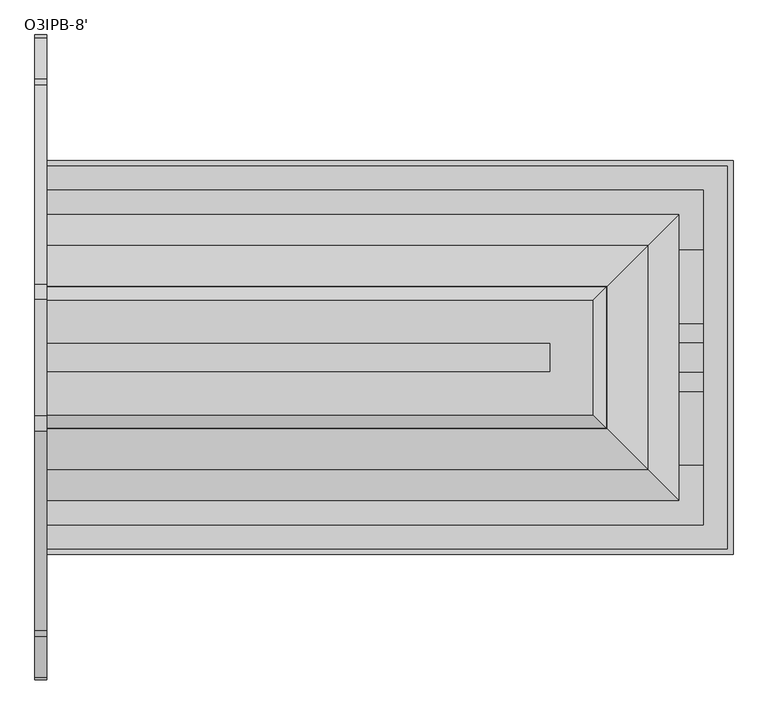
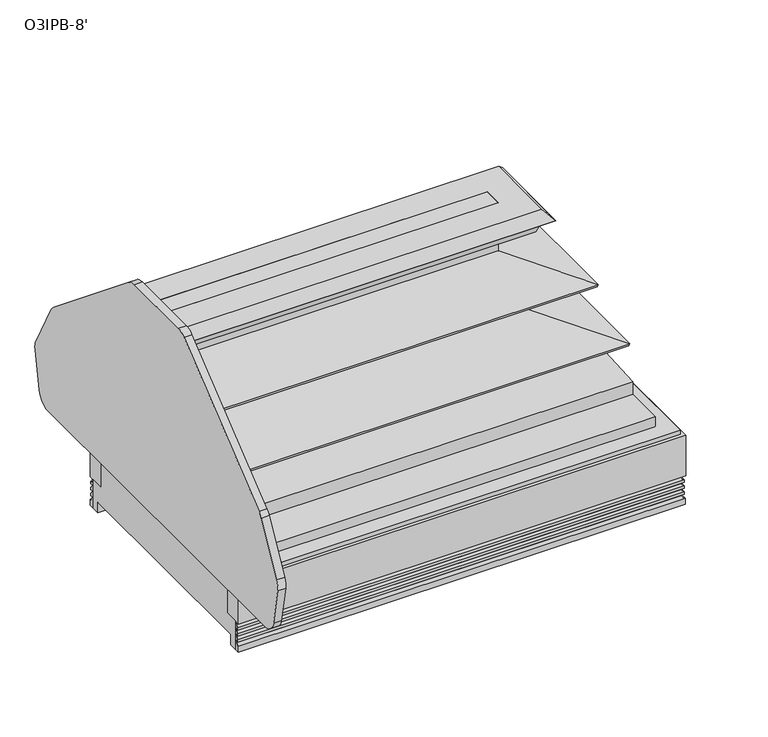
"""IFC4 building model written with IfcOpenShell, lengths in millimetres: proxy geometry, O3IPB-8'."""

from ifc_helpers import new_model, si_unit, point, frame, frame_2d, origin, place, context, project, spatial, polyline, circle_curve, ellipse_curve, trimmed, segment, composite_curve, outline, extrude, faceted_brep, source, transform, mapped, element, save
from ifc_brep_helpers import plane_surface, cylinder_surface, revolved_surface, advanced_brep


def o3ipb_8_71e268ad(model_context):
    return source(origin(), model_context, "Body", "SolidModel", [
        extrude(outline(polyline([(1766.8875, -1674.7518052), (2071.6875, -1674.7518052), (2071.6875, -1776.3518052), (1766.8875, -1776.3518052), (1766.8875, -1674.7518052)])), frame((0.0, 0.0, 72.0584982), z_axis=(0.0, 0.0, 1.0), x_axis=(1.0, 0.0, 0.0)), (0.0, 0.0, 1.0), 53.975),
        extrude(outline(composite_curve([segment(polyline([(-2347.8726435, 381.2758026), (-2382.8840439, 570.6117318)]), True, "CONTINUOUS"), segment(trimmed(circle_curve(frame_2d((-2307.9543575, 584.4674921)), 76.2), [point((-2382.8840439, 570.6117318))], [point((-2374.9247348, 620.8186758))], False, "CARTESIAN"), True, "CONTINUOUS"), segment(polyline([(-2374.9247348, 620.8186758), (-2245.3126248, 859.6051753)]), True, "CONTINUOUS"), segment(trimmed(circle_curve(frame_2d((-2178.3422475, 823.2539915)), 76.2), [point((-2245.3126248, 859.6051753))], [point((-2226.314448, 882.4579439))], False, "CARTESIAN"), True, "CONTINUOUS"), segment(polyline([(-2226.314448, 882.4579439), (-1595.6995645, 1393.4370667)]), True, "CONTINUOUS"), segment(trimmed(circle_curve(frame_2d((-1547.727364, 1334.2331143)), 76.2), [point((-1595.6995645, 1393.4370667))], [point((-1547.727364, 1410.4331143))], False, "CARTESIAN"), True, "CONTINUOUS"), segment(polyline([(-1547.727364, 1410.4331143), (-1179.1118906, 1410.4331143)]), True, "CONTINUOUS"), segment(trimmed(circle_curve(frame_2d((-1179.1118906, 1334.2331143)), 76.2), [point((-1179.1118906, 1410.4331143))], [point((-1131.13969, 1393.4370667))], False, "CARTESIAN"), True, "CONTINUOUS"), segment(polyline([(-1131.13969, 1393.4370667), (-500.5248066, 882.4579439)]), True, "CONTINUOUS"), segment(trimmed(circle_curve(frame_2d((-548.4970071, 823.2539915)), 76.2), [point((-500.5248066, 882.4579439))], [point((-481.5266298, 859.6051753))], False, "CARTESIAN"), True, "CONTINUOUS"), segment(polyline([(-481.5266298, 859.6051753), (-351.9145198, 620.8186758)]), True, "CONTINUOUS"), segment(trimmed(circle_curve(frame_2d((-418.8848971, 584.4674921)), 76.2), [point((-351.9145198, 620.8186758))], [point((-343.9552107, 570.6117318))], False, "CARTESIAN"), True, "CONTINUOUS"), segment(polyline([(-343.9552107, 570.6117318), (-378.5814629, 383.3586211)]), True, "CONTINUOUS"), segment(trimmed(circle_curve(frame_2d((-453.5111493, 397.2143814)), 76.2), [point((-378.5814629, 383.3586211))], [point((-453.5111493, 321.0143814))], False, "CARTESIAN"), True, "CONTINUOUS"), segment(polyline([(-453.5111493, 321.0143814), (-2273.358204, 321.0143814)]), True, "CONTINUOUS"), segment(trimmed(circle_curve(frame_2d((-2273.358204, 397.2143814)), 76.2), [point((-2273.358204, 321.0143814))], [point((-2347.8726435, 381.2758026))], False, "CARTESIAN"), True, "CONTINUOUS")], self_intersect=False)), frame((-38.1, 0.0, 0.0), z_axis=(1.0, 0.0, 0.0), x_axis=(0.0, 1.0, 0.0)), (0.0, 0.0, 1.0), 38.1),
        extrude(outline(composite_curve([segment(trimmed(circle_curve(frame_2d((1280.31875, -1850.8932531)), 19.05), [point((1261.26875, -1850.8932531))], [point((1299.36875, -1850.8932531))], False, "CARTESIAN"), True, "CONTINUOUS"), segment(trimmed(circle_curve(frame_2d((1280.31875, -1850.8932531)), 19.05), [point((1299.36875, -1850.8932531))], [point((1261.26875, -1850.8932531))], False, "CARTESIAN"), True, "CONTINUOUS")], self_intersect=False)), frame((0.0, 0.0, 21.2413941), z_axis=(0.0, 0.0, 1.0), x_axis=(1.0, 0.0, 0.0)), (0.0, 0.0, 1.0), 105.7586059),
        extrude(outline(composite_curve([segment(trimmed(circle_curve(frame_2d((928.6875, -837.9571273)), 11.1125), [point((917.575, -837.9571273))], [point((939.8, -837.9571273))], False, "CARTESIAN"), True, "CONTINUOUS"), segment(trimmed(circle_curve(frame_2d((928.6875, -837.9571273)), 11.1125), [point((939.8, -837.9571273))], [point((917.575, -837.9571273))], False, "CARTESIAN"), True, "CONTINUOUS")], self_intersect=False)), frame((0.0, 0.0, 31.4790022), z_axis=(0.0, 0.0, 1.0), x_axis=(1.0, 0.0, 0.0)), (0.0, 0.0, 1.0), 95.5209978),
        extrude(outline(composite_curve([segment(trimmed(circle_curve(frame_2d((954.0875, -837.9571273)), 4.7625), [point((949.325, -837.9571273))], [point((958.85, -837.9571273))], False, "CARTESIAN"), True, "CONTINUOUS"), segment(trimmed(circle_curve(frame_2d((954.0875, -837.9571273)), 4.7625), [point((958.85, -837.9571273))], [point((949.325, -837.9571273))], False, "CARTESIAN"), True, "CONTINUOUS")], self_intersect=False)), frame((0.0, 0.0, 31.4790022), z_axis=(0.0, 0.0, 1.0), x_axis=(1.0, 0.0, 0.0)), (0.0, 0.0, 1.0), 95.5209978),
        advanced_brep(
        [(2075.8149993, -1317.3127778, 501.7713996), (2075.8149993, -1317.3127778, 596.3608881), (2075.8149993, -1409.5264768, 596.3608881), (2075.8149993, -1409.5264768, 501.7713996), (2075.8149993, -1471.049877, 501.7713996), (2075.8149993, -1703.6334708, 489.9877274), (2075.8149993, -1703.6334708, 424.8942522), (2075.8149993, -1893.0096266, 424.8942522), (2075.8149993, -1893.0096266, 146.05), (2075.8149993, -1960.1374494, 146.05), (2075.8149993, -1960.1374494, 0.0), (2075.8149993, -1920.6000562, 0.0), (2075.8149993, -1920.6000562, 54.0556911), (2075.8149993, -1838.2500497, 54.0556911), (2075.8149993, -1838.2500497, 127.0), (2075.8149993, -1593.1285055, 127.0), (2075.8149993, -1593.1285055, 54.0556911), (2075.8149993, -806.2071273, 54.0556911), (2075.8149993, -806.2071273, 0.0), (2075.8149993, -766.7018052, 0.0), (2075.8149993, -766.7018052, 146.05), (2075.8149993, -833.829628, 146.05), (2075.8149993, -833.829628, 424.8942522), (2075.8149993, -1023.2057838, 424.8942522), (2075.8149993, -1023.2057838, 489.9877274), (2075.8149993, -1255.7893776, 501.7713996), (0.0, -1317.3127778, 501.7713996), (0.0, -1255.7893776, 501.7713996), (0.0, -1023.2057838, 489.9877274), (0.0, -1023.2057838, 424.8942522), (0.0, -833.829628, 424.8942522), (0.0, -833.829628, 146.05), (0.0, -766.7018052, 146.05), (0.0, -766.7018052, 0.0), (0.0, -806.2071273, 0.0), (0.0, -806.2071273, 54.0556911), (0.0, -1920.6000562, 54.0556911), (0.0, -1920.6000562, 0.0), (0.0, -1960.1374494, 0.0), (0.0, -1960.1374494, 146.05), (0.0, -1893.0096266, 146.05), (0.0, -1893.0096266, 424.8942522), (0.0, -1703.6334708, 424.8942522), (0.0, -1703.6334708, 489.9877274), (0.0, -1471.049877, 501.7713996), (0.0, -1409.5264768, 501.7713996), (0.0, -1409.5264768, 596.3608881), (0.0, -1317.3127778, 596.3608881), (909.6375, -837.9571273, 127.0), (973.1375, -837.9571273, 127.0), (973.1375, -837.9571273, 54.0556911), (909.6375, -837.9571273, 54.0556911), (941.3875, -806.2071273, 54.0556911), (1750.2533744, -1838.2500497, 127.0), (1750.2533744, -1593.1285055, 127.0), (1750.2533744, -1838.2500497, 54.0556911), (1750.2533744, -1593.1285055, 54.0556911), (1254.91875, -1850.8932531, 127.0), (1305.71875, -1850.8932531, 127.0), (1305.71875, -1850.8932531, 54.0556911), (1254.91875, -1850.8932531, 54.0556911), (941.3875, -806.2071273, 0.0)],
        [
            (0, 1),
            (1, 2),
            (2, 3),
            (3, 4),
            (4, 5),
            (5, 6),
            (6, 7),
            (7, 8),
            (8, 9),
            (9, 10),
            (10, 11),
            (11, 12),
            (12, 13),
            (13, 14),
            (14, 15),
            (15, 16),
            (16, 17),
            (17, 18),
            (18, 19),
            (19, 20),
            (20, 21),
            (21, 22),
            (22, 23),
            (23, 24),
            (24, 25),
            (25, 0),
            (26, 27),
            (27, 28),
            (28, 29),
            (29, 30),
            (30, 31),
            (31, 32),
            (32, 33),
            (33, 34),
            (34, 35),
            (35, 36),
            (36, 37),
            (37, 38),
            (38, 39),
            (39, 40),
            (40, 41),
            (41, 42),
            (42, 43),
            (43, 44),
            (44, 45),
            (45, 46),
            (46, 47),
            (47, 26),
            (0, 26),
            (47, 1),
            (46, 2),
            (45, 3),
            (44, 4),
            (43, 5),
            (42, 6),
            (41, 7),
            (40, 8),
            (21, 31),
            (30, 22),
            (29, 23),
            (28, 24),
            (27, 25),
            (48, 49, circle_curve(frame((941.3875, -837.9571273, 127.0), z_axis=(0.0, 0.0, -1.0), x_axis=(1.0, 0.0, 0.0)), 31.75)),
            (49, 48, circle_curve(frame((941.3875, -837.9571273, 127.0), z_axis=(0.0, 0.0, -1.0), x_axis=(1.0, 0.0, 0.0)), 31.75)),
            (49, 50),
            (50, 51, circle_curve(frame((941.3875, -837.9571273, 54.0556911), z_axis=(0.0, 0.0, -1.0), x_axis=(1.0, 0.0, 0.0)), 31.75)),
            (51, 48),
            (51, 52, circle_curve(frame((941.3875, -837.9571273, 54.0556911), z_axis=(0.0, 0.0, -1.0), x_axis=(1.0, 0.0, 0.0)), 31.75)),
            (52, 50, circle_curve(frame((941.3875, -837.9571273, 54.0556911), z_axis=(0.0, 0.0, -1.0), x_axis=(1.0, 0.0, 0.0)), 31.75)),
            (53, 54),
            (54, 15),
            (14, 53),
            (13, 55),
            (55, 53),
            (54, 56),
            (56, 16),
            (55, 56),
            (57, 58, circle_curve(frame((1280.31875, -1850.8932531, 127.0), z_axis=(0.0, 0.0, -1.0), x_axis=(1.0, 0.0, 0.0)), 25.4)),
            (58, 57, circle_curve(frame((1280.31875, -1850.8932531, 127.0), z_axis=(0.0, 0.0, -1.0), x_axis=(1.0, 0.0, 0.0)), 25.4)),
            (58, 59),
            (59, 60, circle_curve(frame((1280.31875, -1850.8932531, 54.0556911), z_axis=(0.0, 0.0, -1.0), x_axis=(1.0, 0.0, 0.0)), 25.4)),
            (60, 57),
            (60, 59, circle_curve(frame((1280.31875, -1850.8932531, 54.0556911), z_axis=(0.0, 0.0, -1.0), x_axis=(1.0, 0.0, 0.0)), 25.4)),
            (39, 9),
            (38, 10),
            (37, 11),
            (36, 12),
            (35, 52),
            (52, 17),
            (34, 61),
            (61, 18),
            (33, 19),
            (32, 20),
        ],
        [
            plane_surface(frame((2075.8149993, -1317.3127778, 596.3608881), z_axis=(1.0, 0.0, 0.0), x_axis=(0.0, 0.0, 1.0))),
            plane_surface(frame((0.0, -1317.3127778, 596.3608881), z_axis=(-1.0, 0.0, 0.0), x_axis=(0.0, 0.0, -1.0))),
            plane_surface(frame((2075.8149993, -1317.3127778, 501.7713996), z_axis=(0.0, 1.0, 0.0), x_axis=(-1.0, 0.0, 0.0))),
            plane_surface(frame((2075.8149993, -1317.3127778, 596.3608881), z_axis=(0.0, 0.0, 1.0), x_axis=(-1.0, 0.0, 0.0))),
            plane_surface(frame((2075.8149993, -1409.5264768, 596.3608881), z_axis=(0.0, -1.0, 0.0), x_axis=(-1.0, 0.0, 0.0))),
            plane_surface(frame((2075.8149993, -1409.5264768, 501.7713996), z_axis=(0.0, 0.0, 1.0), x_axis=(-1.0, 0.0, 0.0))),
            plane_surface(frame((2075.8149993, -1471.049877, 501.7713996), z_axis=(0.0, -0.0505993460418544, 0.9987190326513943), x_axis=(-1.0, 0.0, 0.0))),
            plane_surface(frame((2075.8149993, -1703.6334708, 489.9877274), z_axis=(0.0, -1.0, 0.0), x_axis=(-1.0, 0.0, 0.0))),
            plane_surface(frame((2075.8149993, -1703.6334708, 424.8942522), z_axis=(0.0, 0.0, 1.0), x_axis=(-1.0, 0.0, 0.0))),
            plane_surface(frame((2075.8149993, -1893.0096266, 424.8942522), z_axis=(0.0, -1.0, 0.0), x_axis=(-1.0, 0.0, 0.0))),
            plane_surface(frame((2075.8149993, -833.829628, 146.05), z_axis=(0.0, 1.0, 0.0), x_axis=(-1.0, 0.0, 0.0))),
            plane_surface(frame((2075.8149993, -833.829628, 424.8942522), z_axis=(0.0, 0.0, 1.0), x_axis=(-1.0, 0.0, 0.0))),
            plane_surface(frame((2075.8149993, -1023.2057838, 424.8942522), z_axis=(0.0, 1.0, 0.0), x_axis=(-1.0, 0.0, 0.0))),
            plane_surface(frame((2075.8149993, -1023.2057838, 489.9877274), z_axis=(0.0, 0.050599346041856966, 0.9987190326513942), x_axis=(-1.0, 0.0, 0.0))),
            plane_surface(frame((2075.8149993, -1255.7893776, 501.7713996), z_axis=(0.0, 0.0, 1.0), x_axis=(-1.0, 0.0, 0.0))),
            plane_surface(frame((973.1375, -837.9571273, 127.0), z_axis=(0.0, 0.0, -1.0), x_axis=(0.0, 1.0, 0.0))),
            revolved_surface(polyline([(973.1375, -837.9571273, 127.0), (973.1375, -837.9571273, 54.0556911)]), (941.3875, -837.9571273, 0.0), (0.0, 0.0, 1.0)),
            plane_surface(frame((2093.1533744, -1838.2500497, 127.0), z_axis=(0.0, 0.0, -1.0), x_axis=(1.0, 0.0, 0.0))),
            plane_surface(frame((1750.2533744, -1838.2500497, 127.0), z_axis=(0.0, 1.0, 0.0), x_axis=(0.0, 0.0, -1.0))),
            plane_surface(frame((2093.1533744, -1593.1285055, 127.0), z_axis=(0.0, -1.0, 0.0), x_axis=(0.0, 0.0, -1.0))),
            plane_surface(frame((1750.2533744, -1593.1285055, 127.0), z_axis=(1.0, 0.0, 0.0), x_axis=(0.0, 0.0, -1.0))),
            plane_surface(frame((1305.71875, -1850.8932531, 127.0), z_axis=(0.0, 0.0, -1.0), x_axis=(0.0, 1.0, 0.0))),
            revolved_surface(polyline([(1305.71875, -1850.8932531, 127.0), (1305.71875, -1850.8932531, 54.0556911)]), (1280.31875, -1850.8932531, 0.0), (0.0, 0.0, 1.0)),
            plane_surface(frame((2075.8149993, -1893.0096266, 146.05), z_axis=(0.0, 0.0, 1.0), x_axis=(-1.0, 0.0, 0.0))),
            plane_surface(frame((2075.8149993, -1960.1374494, 146.05), z_axis=(0.0, -1.0, 0.0), x_axis=(-1.0, 0.0, 0.0))),
            plane_surface(frame((2075.8149993, -1960.1374494, 0.0), z_axis=(0.0, 0.0, -1.0), x_axis=(-1.0, 0.0, 0.0))),
            plane_surface(frame((2075.8149993, -1920.6000562, 0.0), z_axis=(0.0, 1.0, 0.0), x_axis=(-1.0, 0.0, 0.0))),
            plane_surface(frame((2075.8149993, -1920.6000562, 54.0556911), z_axis=(0.0, 0.0, -1.0), x_axis=(-1.0, 0.0, 0.0))),
            plane_surface(frame((2075.8149993, -806.2071273, 54.0556911), z_axis=(0.0, -1.0, 0.0), x_axis=(-1.0, 0.0, 0.0))),
            plane_surface(frame((2075.8149993, -806.2071273, 0.0), z_axis=(0.0, 0.0, -1.0), x_axis=(-1.0, 0.0, 0.0))),
            plane_surface(frame((2075.8149993, -766.7018052, 0.0), z_axis=(0.0, 1.0, 0.0), x_axis=(-1.0, 0.0, 0.0))),
            plane_surface(frame((2075.8149993, -766.7018052, 146.05), z_axis=(0.0, 0.0, 1.0), x_axis=(-1.0, 0.0, 0.0))),
        ],
        [
            (0, [[1, 2, 3, 4, 5, 6, 7, 8, 9, 10, 11, 12, 13, 14, 15, 16, 17, 18, 19, 20, 21, 22, 23, 24, 25, 26]]),
            (1, [[27, 28, 29, 30, 31, 32, 33, 34, 35, 36, 37, 38, 39, 40, 41, 42, 43, 44, 45, 46, 47, 48]]),
            (2, [[-1, 49, -48, 50]]),
            (3, [[-2, -50, -47, 51]]),
            (4, [[-3, -51, -46, 52]]),
            (5, [[-4, -52, -45, 53]]),
            (6, [[-5, -53, -44, 54]]),
            (7, [[-6, -54, -43, 55]]),
            (8, [[-7, -55, -42, 56]]),
            (9, [[-8, -56, -41, 57]]),
            (10, [[-22, 58, -31, 59]]),
            (11, [[-23, -59, -30, 60]]),
            (12, [[-24, -60, -29, 61]]),
            (13, [[-25, -61, -28, 62]]),
            (14, [[-26, -62, -27, -49]]),
            (15, [[63, 64]]),
            (16, [[-64, 65, 66, 67]]),
            (16, [[-63, -67, 68, 69, -65]]),
            (17, [[70, 71, -15, 72]]),
            (18, [[-72, -14, 73, 74]]),
            (19, [[-71, 75, 76, -16]]),
            (20, [[-70, -74, 77, -75]]),
            (21, [[78, 79]]),
            (22, [[-79, 80, 81, 82]]),
            (22, [[-78, -82, 83, -80]]),
            (23, [[-9, -57, -40, 84]]),
            (24, [[-10, -84, -39, 85]]),
            (25, [[-11, -85, -38, 86]]),
            (26, [[-12, -86, -37, 87]]),
            (27, [[-36, 88, -68, -66, -69, 89, -17, -76, -77, -73, -13, -87], [-81, -83]]),
            (28, [[-18, -89, -88, -35, 90, 91]]),
            (29, [[-19, -91, -90, -34, 92]]),
            (30, [[-20, -92, -33, 93]]),
            (31, [[-21, -93, -32, -58]]),
        ],
    ),
        faceted_brep([(0.0, -1969.2096266, 354.3983804), (0.0, -1969.2096266, 374.65), (0.0, -1893.0096266, 374.65), (0.0, -1893.0096266, 146.05), (0.0, -1987.1166266, 146.05), (0.0, -1987.1166266, 354.3983804), (2152.0149993, -1969.2096266, 374.65), (2152.0149993, -1969.2096266, 354.3983804), (2152.0149993, -757.629628, 354.3983804), (2152.0149993, -757.629628, 374.65), (2075.8149993, -1893.0096266, 146.05), (2075.8149993, -1893.0096266, 374.65), (2075.8149993, -833.829628, 374.65), (2075.8149993, -833.829628, 146.05), (2169.9219993, -1987.1166266, 354.3983804), (2169.9219993, -1987.1166266, 146.05), (2169.9219993, -739.722628, 146.05), (2169.9219993, -739.722628, 354.3983804), (0.0, -757.629628, 354.3983804), (0.0, -757.629628, 374.65), (0.0, -833.829628, 374.65), (0.0, -833.829628, 146.05), (0.0, -739.722628, 146.05), (0.0, -739.722628, 354.3983804)], [[[0, 1, 2, 3, 4, 5]], [[6, 7, 8, 9]], [[10, 11, 12, 13]], [[14, 15, 16, 17]], [[9, 8, 18, 19]], [[13, 12, 20, 21]], [[17, 16, 22, 23]], [[18, 23, 22, 21, 20, 19]], [[1, 0, 7, 6]], [[2, 1, 6, 9, 19, 20, 12, 11]], [[3, 2, 11, 10]], [[4, 3, 10, 13, 21, 22, 16, 15]], [[5, 4, 15, 14]], [[0, 5, 14, 17, 23, 18, 8, 7]]]),
        advanced_brep(
        [(0.0, -1985.7651061, 31.4790022), (0.0, -1973.7348032, 41.0863151), (0.0, -1970.2457061, 52.2515752), (0.0, -1980.8829014, 50.0937524), (0.0, -1982.8768014, 50.0937524), (0.0, -1982.8768014, 62.7937524), (0.0, -1973.7348032, 72.0584982), (0.0, -1970.2457061, 83.2237583), (0.0, -1980.8829014, 81.0659355), (0.0, -1982.8768014, 81.0659355), (0.0, -1982.8768014, 93.7659355), (0.0, -1973.7348032, 103.0306813), (0.0, -1970.2457061, 114.0694894), (0.0, -1980.8829014, 112.0383055), (0.0, -1982.8768014, 112.0383055), (0.0, -1982.8768014, 124.7383055), (0.0, -1970.2457061, 137.4381186), (0.0, -1970.2457061, 146.05), (0.0, -1960.1374494, 146.05), (0.0, -1960.1374494, 0.0), (0.0, -1985.7651061, 0.0), (2168.5704788, -1985.7651061, 31.4790022), (2156.5401759, -1973.7348032, 41.0863151), (2153.0510788, -1970.2457061, 52.2515752), (2163.6882741, -1980.8829014, 50.0937524), (2163.6882741, -745.9563532, 50.0937524), (0.0, -745.9563532, 50.0937524), (0.0, -743.9624532, 50.0937524), (2165.6821741, -743.9624532, 50.0937524), (2165.6821741, -1982.8768014, 50.0937524), (2165.6821741, -1982.8768014, 62.7937524), (2156.5401759, -1973.7348032, 72.0584982), (2153.0510788, -1970.2457061, 83.2237583), (2163.6882741, -1980.8829014, 81.0659355), (2163.6882741, -745.9563532, 81.0659355), (0.0, -745.9563532, 81.0659355), (0.0, -743.9624532, 81.0659355), (2165.6821741, -743.9624532, 81.0659355), (2165.6821741, -1982.8768014, 81.0659355), (2165.6821741, -1982.8768014, 93.7659355), (2156.5401759, -1973.7348032, 103.0306813), (2153.0510788, -1970.2457061, 114.0694894), (2163.6882741, -1980.8829014, 112.0383055), (2163.6882741, -745.9563532, 112.0383055), (0.0, -745.9563532, 112.0383055), (0.0, -743.9624532, 112.0383055), (2165.6821741, -743.9624532, 112.0383055), (2165.6821741, -1982.8768014, 112.0383055), (2165.6821741, -1982.8768014, 124.7383055), (2153.0510788, -1970.2457061, 137.4381186), (2153.0510788, -1970.2457061, 146.05), (2153.0510788, -756.5935485, 146.05), (0.0, -756.5935485, 146.05), (0.0, -766.7018052, 146.05), (2142.9428221, -766.7018052, 146.05), (2142.9428221, -1960.1374494, 146.05), (2142.9428221, -1960.1374494, 0.0), (2142.9428221, -766.7018052, 0.0), (0.0, -766.7018052, 0.0), (0.0, -741.0741485, 0.0), (2168.5704788, -741.0741485, 0.0), (2168.5704788, -1985.7651061, 0.0), (2168.5704788, -741.0741485, 31.4790022), (2156.5401759, -753.1044514, 41.0863151), (2153.0510788, -756.5935485, 52.2515752), (2165.6821741, -743.9624532, 62.7937524), (2156.5401759, -753.1044514, 72.0584982), (2153.0510788, -756.5935485, 83.2237583), (2165.6821741, -743.9624532, 93.7659355), (2156.5401759, -753.1044514, 103.0306813), (2153.0510788, -756.5935485, 114.0694894), (2165.6821741, -743.9624532, 124.7383055), (2153.0510788, -756.5935485, 137.4381186), (0.0, -756.5935485, 52.2515752), (0.0, -753.1044514, 41.0863151), (0.0, -741.0741485, 31.4790022), (0.0, -756.5935485, 137.4381186), (0.0, -743.9624532, 124.7383055), (0.0, -756.5935485, 114.0694894), (0.0, -753.1044514, 103.0306813), (0.0, -743.9624532, 93.7659355), (0.0, -756.5935485, 83.2237583), (0.0, -753.1044514, 72.0584982), (0.0, -743.9624532, 62.7937524)],
        [
            (0, 1, circle_curve(frame((0.0, -1984.7113588, 42.4953422), z_axis=(1.0, 0.0, 0.0), x_axis=(0.0, 1.0, 0.0)), 11.0666223)),
            (1, 2),
            (2, 3),
            (3, 4),
            (4, 5),
            (5, 6, circle_curve(frame((0.0, -1986.0686404, 75.0861144), z_axis=(1.0, 0.0, 0.0), x_axis=(0.0, 1.0, 0.0)), 12.7)),
            (6, 7),
            (7, 8),
            (8, 9),
            (9, 10),
            (10, 11, circle_curve(frame((0.0, -1986.0686404, 106.0582975), z_axis=(1.0, 0.0, 0.0), x_axis=(0.0, 1.0, 0.0)), 12.7)),
            (11, 12),
            (12, 13),
            (13, 14),
            (14, 15),
            (15, 16, circle_curve(frame((0.0, -1982.9457061, 137.4381186), z_axis=(1.0, 0.0, 0.0), x_axis=(0.0, 1.0, 0.0)), 12.7)),
            (16, 17),
            (17, 18),
            (18, 19),
            (19, 20),
            (20, 0),
            (0, 21),
            (21, 22, ellipse_curve(frame((2167.5167315, -1984.7113588, 42.4953422), z_axis=(0.7071067811865475, 0.7071067811865475, 0.0), x_axis=(0.7071067811865476, -0.7071067811865474, 0.0)), 15.6505674, 11.0666223)),
            (22, 1),
            (22, 23),
            (23, 2),
            (23, 24),
            (24, 3),
            (24, 25),
            (25, 26),
            (26, 27),
            (27, 28),
            (28, 29),
            (29, 4),
            (29, 30),
            (30, 5),
            (30, 31, ellipse_curve(frame((2168.8740131, -1986.0686404, 75.0861144), z_axis=(0.7071067811865475, 0.7071067811865475, 0.0), x_axis=(0.7071067811865476, -0.7071067811865474, 0.0)), 17.9605122, 12.7)),
            (31, 6),
            (31, 32),
            (32, 7),
            (32, 33),
            (33, 8),
            (33, 34),
            (34, 35),
            (35, 36),
            (36, 37),
            (37, 38),
            (38, 9),
            (38, 39),
            (39, 10),
            (39, 40, ellipse_curve(frame((2168.8740131, -1986.0686404, 106.0582975), z_axis=(0.7071067811865475, 0.7071067811865475, 0.0), x_axis=(0.7071067811865476, -0.7071067811865474, 0.0)), 17.9605122, 12.7)),
            (40, 11),
            (40, 41),
            (41, 12),
            (41, 42),
            (42, 13),
            (42, 43),
            (43, 44),
            (44, 45),
            (45, 46),
            (46, 47),
            (47, 14),
            (47, 48),
            (48, 15),
            (48, 49, ellipse_curve(frame((2165.7510788, -1982.9457061, 137.4381186), z_axis=(0.7071067811865475, 0.7071067811865475, 0.0), x_axis=(0.7071067811865476, -0.7071067811865474, 0.0)), 17.9605122, 12.7)),
            (49, 16),
            (49, 50),
            (50, 17),
            (50, 51),
            (51, 52),
            (52, 53),
            (53, 54),
            (54, 55),
            (55, 18),
            (55, 56),
            (56, 19),
            (56, 57),
            (57, 58),
            (58, 59),
            (59, 60),
            (60, 61),
            (61, 20),
            (61, 21),
            (21, 62),
            (62, 63, ellipse_curve(frame((2167.5167315, -742.1278958, 42.4953422), z_axis=(-0.7071067811865475, 0.7071067811865475, 0.0), x_axis=(0.7071067811865474, 0.7071067811865476, 0.0)), 15.6505674, 11.0666223)),
            (63, 22),
            (63, 64),
            (64, 23),
            (64, 25),
            (28, 65),
            (65, 30),
            (65, 66, ellipse_curve(frame((2168.8740131, -740.7706142, 75.0861144), z_axis=(-0.7071067811865475, 0.7071067811865475, 0.0), x_axis=(0.7071067811865474, 0.7071067811865476, 0.0)), 17.9605122, 12.7)),
            (66, 31),
            (66, 67),
            (67, 32),
            (67, 34),
            (37, 68),
            (68, 39),
            (68, 69, ellipse_curve(frame((2168.8740131, -740.7706142, 106.0582975), z_axis=(-0.7071067811865475, 0.7071067811865475, 0.0), x_axis=(0.7071067811865474, 0.7071067811865476, 0.0)), 17.9605122, 12.7)),
            (69, 40),
            (69, 70),
            (70, 41),
            (70, 43),
            (46, 71),
            (71, 48),
            (71, 72, ellipse_curve(frame((2165.7510788, -743.8935485, 137.4381186), z_axis=(-0.7071067811865475, 0.7071067811865475, 0.0), x_axis=(0.7071067811865474, 0.7071067811865476, 0.0)), 17.9605122, 12.7)),
            (72, 49),
            (72, 51),
            (54, 57),
            (60, 62),
            (26, 73),
            (73, 74),
            (74, 75, circle_curve(frame((0.0, -742.1278958, 42.4953422), z_axis=(1.0, 0.0, 0.0), x_axis=(0.0, -1.0, 0.0)), 11.0666223)),
            (75, 59),
            (58, 53),
            (52, 76),
            (76, 77, circle_curve(frame((0.0, -743.8935485, 137.4381186), z_axis=(1.0, 0.0, 0.0), x_axis=(0.0, -1.0, 0.0)), 12.7)),
            (77, 45),
            (44, 78),
            (78, 79),
            (79, 80, circle_curve(frame((0.0, -740.7706142, 106.0582975), z_axis=(1.0, 0.0, 0.0), x_axis=(0.0, -1.0, 0.0)), 12.7)),
            (80, 36),
            (35, 81),
            (81, 82),
            (82, 83, circle_curve(frame((0.0, -740.7706142, 75.0861144), z_axis=(1.0, 0.0, 0.0), x_axis=(0.0, -1.0, 0.0)), 12.7)),
            (83, 27),
            (62, 75),
            (74, 63),
            (73, 64),
            (83, 65),
            (82, 66),
            (81, 67),
            (80, 68),
            (79, 69),
            (78, 70),
            (77, 71),
            (76, 72),
        ],
        [
            plane_surface(frame((0.0, -2377.8321273, 0.0), z_axis=(-1.0, 0.0, 0.0), x_axis=(0.0, 0.0, 1.0))),
            revolved_surface(polyline([(2178.583353837957, -1973.6447365, 42.4953422), (0.0, -1973.6447365, 42.4953422)]), (0.0, -1984.7113588, 42.4953422), (1.0, 0.0, 0.0)),
            plane_surface(frame((0.0, -1973.7348032, 41.0863151), z_axis=(0.0, -0.9544811145041915, 0.29827135641029406), x_axis=(1.0, 0.0, 0.0))),
            plane_surface(frame((0.0, -1970.2457061, 52.2515752), z_axis=(0.0, 0.19880707887699167, -0.9800386448443743), x_axis=(1.0, 0.0, 0.0))),
            plane_surface(frame((0.0, -1980.8829014, 50.0937524), z_axis=(0.0, 0.0, -1.0), x_axis=(1.0, 0.0, 0.0))),
            plane_surface(frame((0.0, -1982.8768014, 50.0937524), z_axis=(0.0, -1.0, 0.0), x_axis=(1.0, 0.0, 0.0))),
            revolved_surface(polyline([(2181.574013070204, -1973.3686404, 75.0861144), (0.0, -1973.3686404, 75.0861144)]), (0.0, -1986.0686404, 75.0861144), (1.0, 0.0, 0.0)),
            plane_surface(frame((0.0, -1973.7348032, 72.0584982), z_axis=(0.0, -0.954481114504461, 0.2982713564094313), x_axis=(1.0, 0.0, 0.0))),
            plane_surface(frame((0.0, -1970.2457061, 83.2237583), z_axis=(0.0, 0.19880707887699767, -0.9800386448443731), x_axis=(1.0, 0.0, 0.0))),
            plane_surface(frame((0.0, -1980.8829014, 81.0659355), z_axis=(0.0, 0.0, -1.0), x_axis=(1.0, 0.0, 0.0))),
            plane_surface(frame((0.0, -1982.8768014, 81.0659355), z_axis=(0.0, -1.0, 0.0), x_axis=(1.0, 0.0, 0.0))),
            revolved_surface(polyline([(2181.574013070204, -1973.3686404, 106.0582975), (0.0, -1973.3686404, 106.0582975)]), (0.0, -1986.0686404, 106.0582975), (1.0, 0.0, 0.0)),
            plane_surface(frame((0.0, -1973.7348032, 103.0306813), z_axis=(0.0, -0.9535043111332897, 0.3013793766172973), x_axis=(1.0, 0.0, 0.0))),
            plane_surface(frame((0.0, -1970.2457061, 114.0694894), z_axis=(0.0, 0.18756221551803973, -0.9822527247658641), x_axis=(1.0, 0.0, 0.0))),
            plane_surface(frame((0.0, -1980.8829014, 112.0383055), z_axis=(0.0, 0.0, -1.0), x_axis=(1.0, 0.0, 0.0))),
            plane_surface(frame((0.0, -1982.8768014, 112.0383055), z_axis=(0.0, -1.0, 0.0), x_axis=(1.0, 0.0, 0.0))),
            revolved_surface(polyline([(2178.451078770204, -1970.2457061, 137.4381186), (0.0, -1970.2457061, 137.4381186)]), (0.0, -1982.9457061, 137.4381186), (1.0, 0.0, 0.0)),
            plane_surface(frame((0.0, -1970.2457061, 137.4381186), z_axis=(0.0, -1.0, 0.0), x_axis=(1.0, 0.0, 0.0))),
            plane_surface(frame((0.0, -1970.2457061, 146.05), z_axis=(0.0, 0.0, 1.0), x_axis=(1.0, 0.0, 0.0))),
            plane_surface(frame((0.0, -1960.1374494, 146.05), z_axis=(0.0, 1.0, 0.0), x_axis=(1.0, 0.0, 0.0))),
            plane_surface(frame((0.0, -1960.1374494, 0.0), z_axis=(0.0, 0.0, -1.0), x_axis=(1.0, 0.0, 0.0))),
            plane_surface(frame((0.0, -1985.7651061, 0.0), z_axis=(0.0, -1.0, 0.0), x_axis=(1.0, 0.0, 0.0))),
            revolved_surface(polyline([(2156.4501092, -731.0612734620429, 42.4953422), (2156.4501092, -1995.777981137957, 42.4953422)]), (2167.5167315, -2377.8321273, 42.4953422), (0.0, 1.0, 0.0)),
            plane_surface(frame((2156.5401759, -1973.7348032, 41.0863151), z_axis=(0.9544811145041915, 0.0, 0.29827135641029406), x_axis=(0.0, 1.0, 0.0))),
            plane_surface(frame((2153.0510788, -1970.2457061, 52.2515752), z_axis=(-0.19880707887699167, 0.0, -0.9800386448443743), x_axis=(0.0, 1.0, 0.0))),
            plane_surface(frame((2165.6821741, -1982.8768014, 50.0937524), z_axis=(1.0, 0.0, 0.0), x_axis=(0.0, 1.0, 0.0))),
            revolved_surface(polyline([(2156.1740131, -728.0706142297963, 75.0861144), (2156.1740131, -1998.7686403702037, 75.0861144)]), (2168.8740131, -2377.8321273, 75.0861144), (0.0, 1.0, 0.0)),
            plane_surface(frame((2156.5401759, -1973.7348032, 72.0584982), z_axis=(0.954481114504461, 0.0, 0.2982713564094313), x_axis=(0.0, 1.0, 0.0))),
            plane_surface(frame((2153.0510788, -1970.2457061, 83.2237583), z_axis=(-0.19880707887699767, 0.0, -0.9800386448443731), x_axis=(0.0, 1.0, 0.0))),
            plane_surface(frame((2165.6821741, -1982.8768014, 81.0659355), z_axis=(1.0, 0.0, 0.0), x_axis=(0.0, 1.0, 0.0))),
            revolved_surface(polyline([(2156.1740131, -728.0706142297963, 106.0582975), (2156.1740131, -1998.7686403702037, 106.0582975)]), (2168.8740131, -2377.8321273, 106.0582975), (0.0, 1.0, 0.0)),
            plane_surface(frame((2156.5401759, -1973.7348032, 103.0306813), z_axis=(0.9535043111332897, 0.0, 0.3013793766172973), x_axis=(0.0, 1.0, 0.0))),
            plane_surface(frame((2153.0510788, -1970.2457061, 114.0694894), z_axis=(-0.18756221551803973, 0.0, -0.9822527247658641), x_axis=(0.0, 1.0, 0.0))),
            plane_surface(frame((2165.6821741, -1982.8768014, 112.0383055), z_axis=(1.0, 0.0, 0.0), x_axis=(0.0, 1.0, 0.0))),
            revolved_surface(polyline([(2153.0510788, -731.1935485297963, 137.4381186), (2153.0510788, -1995.6457060702037, 137.4381186)]), (2165.7510788, -2377.8321273, 137.4381186), (0.0, 1.0, 0.0)),
            plane_surface(frame((2153.0510788, -1970.2457061, 137.4381186), z_axis=(1.0, 0.0, 0.0), x_axis=(0.0, 1.0, 0.0))),
            plane_surface(frame((2142.9428221, -1960.1374494, 146.05), z_axis=(-1.0, 0.0, 0.0), x_axis=(0.0, 1.0, 0.0))),
            plane_surface(frame((2168.5704788, -1985.7651061, 0.0), z_axis=(1.0, 0.0, 0.0), x_axis=(0.0, 1.0, 0.0))),
            plane_surface(frame((0.0, -349.0071273, 0.0), z_axis=(-1.0, 0.0, 0.0), x_axis=(0.0, 0.0, 1.0))),
            revolved_surface(polyline([(0.0, -753.1945181, 42.4953422), (2178.583353837957, -753.1945181, 42.4953422)]), (2560.6375, -742.1278958, 42.4953422), (-1.0, 0.0, 0.0)),
            plane_surface(frame((2156.5401759, -753.1044514, 41.0863151), z_axis=(0.0, 0.9544811145041915, 0.29827135641029406), x_axis=(-1.0, 0.0, 0.0))),
            plane_surface(frame((2153.0510788, -756.5935485, 52.2515752), z_axis=(0.0, -0.19880707887699167, -0.9800386448443743), x_axis=(-1.0, 0.0, 0.0))),
            plane_surface(frame((2165.6821741, -743.9624532, 50.0937524), z_axis=(0.0, 1.0, 0.0), x_axis=(-1.0, 0.0, 0.0))),
            revolved_surface(polyline([(0.0, -753.4706142, 75.0861144), (2181.574013070204, -753.4706142, 75.0861144)]), (2560.6375, -740.7706142, 75.0861144), (-1.0, 0.0, 0.0)),
            plane_surface(frame((2156.5401759, -753.1044514, 72.0584982), z_axis=(0.0, 0.954481114504461, 0.2982713564094313), x_axis=(-1.0, 0.0, 0.0))),
            plane_surface(frame((2153.0510788, -756.5935485, 83.2237583), z_axis=(0.0, -0.19880707887699767, -0.9800386448443731), x_axis=(-1.0, 0.0, 0.0))),
            plane_surface(frame((2165.6821741, -743.9624532, 81.0659355), z_axis=(0.0, 1.0, 0.0), x_axis=(-1.0, 0.0, 0.0))),
            revolved_surface(polyline([(0.0, -753.4706142, 106.0582975), (2181.574013070204, -753.4706142, 106.0582975)]), (2560.6375, -740.7706142, 106.0582975), (-1.0, 0.0, 0.0)),
            plane_surface(frame((2156.5401759, -753.1044514, 103.0306813), z_axis=(0.0, 0.9535043111332897, 0.3013793766172973), x_axis=(-1.0, 0.0, 0.0))),
            plane_surface(frame((2153.0510788, -756.5935485, 114.0694894), z_axis=(0.0, -0.18756221551803973, -0.9822527247658641), x_axis=(-1.0, 0.0, 0.0))),
            plane_surface(frame((2165.6821741, -743.9624532, 112.0383055), z_axis=(0.0, 1.0, 0.0), x_axis=(-1.0, 0.0, 0.0))),
            revolved_surface(polyline([(0.0, -756.5935485, 137.4381186), (2178.451078770204, -756.5935485, 137.4381186)]), (2560.6375, -743.8935485, 137.4381186), (-1.0, 0.0, 0.0)),
            plane_surface(frame((2153.0510788, -756.5935485, 137.4381186), z_axis=(0.0, 1.0, 0.0), x_axis=(-1.0, 0.0, 0.0))),
            plane_surface(frame((2142.9428221, -766.7018052, 146.05), z_axis=(0.0, -1.0, 0.0), x_axis=(-1.0, 0.0, 0.0))),
            plane_surface(frame((2168.5704788, -741.0741485, 0.0), z_axis=(0.0, 1.0, 0.0), x_axis=(-1.0, 0.0, 0.0))),
        ],
        [
            (0, [[1, 2, 3, 4, 5, 6, 7, 8, 9, 10, 11, 12, 13, 14, 15, 16, 17, 18, 19, 20, 21]]),
            (1, [[-1, 22, 23, 24]]),
            (2, [[-2, -24, 25, 26]]),
            (3, [[-3, -26, 27, 28]]),
            (4, [[-4, -28, 29, 30, 31, 32, 33, 34]]),
            (5, [[-5, -34, 35, 36]]),
            (6, [[-6, -36, 37, 38]]),
            (7, [[-7, -38, 39, 40]]),
            (8, [[-8, -40, 41, 42]]),
            (9, [[-9, -42, 43, 44, 45, 46, 47, 48]]),
            (10, [[-10, -48, 49, 50]]),
            (11, [[-11, -50, 51, 52]]),
            (12, [[-12, -52, 53, 54]]),
            (13, [[-13, -54, 55, 56]]),
            (14, [[-14, -56, 57, 58, 59, 60, 61, 62]]),
            (15, [[-15, -62, 63, 64]]),
            (16, [[-16, -64, 65, 66]]),
            (17, [[-17, -66, 67, 68]]),
            (18, [[-18, -68, 69, 70, 71, 72, 73, 74]]),
            (19, [[-19, -74, 75, 76]]),
            (20, [[-20, -76, 77, 78, 79, 80, 81, 82]]),
            (21, [[-21, -82, 83, -22]]),
            (22, [[-23, 84, 85, 86]]),
            (23, [[-25, -86, 87, 88]]),
            (24, [[-27, -88, 89, -29]]),
            (25, [[-33, 90, 91, -35]]),
            (26, [[-37, -91, 92, 93]]),
            (27, [[-39, -93, 94, 95]]),
            (28, [[-41, -95, 96, -43]]),
            (29, [[-47, 97, 98, -49]]),
            (30, [[-51, -98, 99, 100]]),
            (31, [[-53, -100, 101, 102]]),
            (32, [[-55, -102, 103, -57]]),
            (33, [[-61, 104, 105, -63]]),
            (34, [[-65, -105, 106, 107]]),
            (35, [[-67, -107, 108, -69]]),
            (36, [[-73, 109, -77, -75]]),
            (37, [[-81, 110, -84, -83]]),
            (38, [[-31, 111, 112, 113, 114, -79, 115, -71, 116, 117, 118, -59, 119, 120, 121, 122, -45, 123, 124, 125, 126]]),
            (39, [[-85, 127, -113, 128]]),
            (40, [[-87, -128, -112, 129]]),
            (41, [[-30, -89, -129, -111]]),
            (42, [[-32, -126, 130, -90]]),
            (43, [[-92, -130, -125, 131]]),
            (44, [[-94, -131, -124, 132]]),
            (45, [[-44, -96, -132, -123]]),
            (46, [[-46, -122, 133, -97]]),
            (47, [[-99, -133, -121, 134]]),
            (48, [[-101, -134, -120, 135]]),
            (49, [[-58, -103, -135, -119]]),
            (50, [[-60, -118, 136, -104]]),
            (51, [[-106, -136, -117, 137]]),
            (52, [[-70, -108, -137, -116]]),
            (53, [[-72, -115, -78, -109]]),
            (54, [[-80, -114, -127, -110]]),
        ],
    ),
        faceted_brep([(0.0, -1577.4755258, 1073.8457968), (0.0, -1581.1886465, 1085.9908672), (0.0, -1714.025354, 1045.3786101), (0.0, -1717.9705447, 1058.2827474), (0.0, -1409.5264768, 1152.5835624), (0.0, -1409.5264768, 1092.1606989), (1763.9940192, -1145.6506081, 1085.9908672), (1760.2808985, -1149.3637288, 1073.8457968), (0.0, -1149.3637288, 1073.8457968), (0.0, -1145.6506081, 1085.9908672), (1896.8307267, -1012.8139006, 1045.3786101), (0.0, -1012.8139006, 1045.3786101), (1900.7759174, -1008.8687099, 1058.2827474), (0.0, -1008.8687099, 1058.2827474), (1592.3318495, -1317.3127778, 1152.5835624), (0.0, -1317.3127778, 1152.5835624), (1592.3318495, -1317.3127778, 1092.1606989), (0.0, -1317.3127778, 1092.1606989), (1760.2808985, -1577.4755258, 1073.8457968), (1763.9940192, -1581.1886465, 1085.9908672), (1896.8307267, -1714.025354, 1045.3786101), (1900.7759174, -1717.9705447, 1058.2827474), (1592.3318495, -1409.5264768, 1152.5835624), (1592.3318495, -1409.5264768, 1092.1606989)], [[[0, 1, 2, 3, 4, 5]], [[6, 7, 8, 9]], [[10, 6, 9, 11]], [[12, 10, 11, 13]], [[14, 12, 13, 15]], [[16, 14, 15, 17]], [[7, 16, 17, 8]], [[8, 17, 15, 13, 11, 9]], [[1, 0, 18, 19]], [[2, 1, 19, 20]], [[3, 2, 20, 21]], [[4, 3, 21, 22]], [[5, 4, 22, 23]], [[0, 5, 23, 18]], [[19, 18, 7, 6]], [[20, 19, 6, 10]], [[21, 20, 10, 12]], [[22, 21, 12, 14]], [[23, 22, 14, 16]], [[18, 23, 16, 7]]]),
        faceted_brep([(0.0, -1815.2167077, 780.9932892), (0.0, -1409.5264768, 905.0252399), (0.0, -1409.5264768, 844.1309787), (0.0, -1678.096383, 802.1647337), (0.0, -1679.9529433, 808.2372689), (0.0, -1811.271517, 768.0891519), (1592.3318495, -1317.3127778, 905.0252399), (1998.0220804, -911.6225469, 780.9932892), (0.0, -911.6225469, 780.9932892), (0.0, -1317.3127778, 905.0252399), (1592.3318495, -1317.3127778, 844.1309787), (0.0, -1317.3127778, 844.1309787), (1860.9017557, -1048.7428716, 802.1647337), (0.0, -1048.7428716, 802.1647337), (1862.758316, -1046.8863113, 808.2372689), (0.0, -1046.8863113, 808.2372689), (1994.0768897, -915.5677376, 768.0891519), (0.0, -915.5677376, 768.0891519), (1998.0220804, -1815.2167077, 780.9932892), (1592.3318495, -1409.5264768, 905.0252399), (1592.3318495, -1409.5264768, 844.1309787), (1860.9017557, -1678.096383, 802.1647337), (1862.758316, -1679.9529433, 808.2372689), (1994.0768897, -1811.271517, 768.0891519)], [[[0, 1, 2, 3, 4, 5]], [[6, 7, 8, 9]], [[10, 6, 9, 11]], [[12, 10, 11, 13]], [[14, 12, 13, 15]], [[16, 14, 15, 17]], [[7, 16, 17, 8]], [[8, 17, 15, 13, 11, 9]], [[1, 0, 18, 19]], [[2, 1, 19, 20]], [[3, 2, 20, 21]], [[4, 3, 21, 22]], [[5, 4, 22, 23]], [[0, 5, 23, 18]], [[19, 18, 7, 6]], [[20, 19, 6, 10]], [[21, 20, 10, 12]], [[22, 21, 12, 14]], [[23, 22, 14, 16]], [[18, 23, 16, 7]]]),
        advanced_brep(
        [(0.0, -1409.5264768, 1286.4096126), (0.0, -1507.8694273, 1286.4096126), (0.0, -1525.7333965, 1280.4763215), (0.0, -1549.1966039, 1351.1194113), (0.0, -1586.8844203, 1351.1194113), (0.0, -1587.4695725, 1352.4336847), (0.0, -1544.7451998, 1399.8839077), (0.0, -1409.5264768, 1399.8839077), (1708.5387692, -1525.7333965, 1280.4763215), (1690.6748, -1507.8694273, 1286.4096126), (1690.6748, -1218.9698273, 1286.4096126), (1708.5387692, -1201.1058581, 1280.4763215), (1732.0019766, -1549.1966039, 1351.1194113), (1732.0019766, -1177.6426507, 1351.1194113), (1770.2749452, -1587.4695725, 1352.4336847), (1769.689793, -1586.8844203, 1351.1194113), (1769.689793, -1139.9548343, 1351.1194113), (1770.2749452, -1139.3696821, 1352.4336847), (1727.5505725, -1544.7451998, 1399.8839077), (1727.5505725, -1182.0940548, 1399.8839077), (1592.3318495, -1409.5264768, 1286.4096126), (1592.3318495, -1409.5264768, 1399.8839077), (1592.3318495, -1317.3127778, 1399.8839077), (1592.3318495, -1317.3127778, 1286.4096126), (0.0, -1218.9698273, 1286.4096126), (0.0, -1201.1058581, 1280.4763215), (0.0, -1177.6426507, 1351.1194113), (0.0, -1139.9548343, 1351.1194113), (0.0, -1139.3696821, 1352.4336847), (0.0, -1182.0940548, 1399.8839077), (0.0, -1317.3127778, 1399.8839077), (0.0, -1317.3127778, 1286.4096126)],
        [
            (0, 1),
            (1, 2),
            (2, 3),
            (3, 4),
            (4, 5, circle_curve(frame((0.0, -1586.8844203, 1351.9068113), z_axis=(-1.0, 0.0, 0.0), x_axis=(0.0, 1.0, 0.0)), 0.7874)),
            (5, 6),
            (6, 7),
            (7, 0),
            (8, 9),
            (9, 10),
            (10, 11),
            (11, 8),
            (12, 8),
            (11, 13),
            (13, 12),
            (14, 15, ellipse_curve(frame((1769.689793, -1586.8844203, 1351.9068113), z_axis=(0.7071067811865475, 0.7071067811865475, 0.0), x_axis=(0.7071067811865474, -0.7071067811865476, 0.0)), 1.1135517, 0.7874)),
            (15, 16),
            (16, 17, ellipse_curve(frame((1769.689793, -1139.9548343, 1351.9068113), z_axis=(0.7071067811865475, -0.7071067811865475, 0.0), x_axis=(-0.7071067811865474, -0.7071067811865476, 0.0)), 1.1135517, 0.7874)),
            (17, 14),
            (18, 14),
            (17, 19),
            (19, 18),
            (20, 21),
            (21, 22),
            (22, 23),
            (23, 20),
            (10, 24),
            (24, 25),
            (25, 11),
            (25, 26),
            (26, 13),
            (16, 27),
            (27, 28, circle_curve(frame((0.0, -1139.9548343, 1351.9068113), z_axis=(1.0, 0.0, 0.0), x_axis=(0.0, -1.0, 0.0)), 0.7874)),
            (28, 17),
            (28, 29),
            (29, 19),
            (22, 30),
            (30, 31),
            (31, 23),
            (30, 29),
            (27, 26),
            (24, 31),
            (0, 20),
            (9, 1),
            (8, 2),
            (12, 3),
            (15, 4),
            (14, 5),
            (18, 6),
            (21, 7),
        ],
        [
            plane_surface(frame((0.0, -2377.8321273, 0.0), z_axis=(-1.0, 0.0, 0.0), x_axis=(0.0, 0.0, 1.0))),
            plane_surface(frame((1690.6748, -1507.8694273, 1286.4096126), z_axis=(-0.31520605330006624, 0.0, -0.9490232578619957), x_axis=(0.0, 1.0, 0.0))),
            plane_surface(frame((1708.5387692, -1525.7333965, 1280.4763215), z_axis=(0.9490232578619817, 0.0, -0.3152060533001079), x_axis=(0.0, 1.0, 0.0))),
            cylinder_surface(frame((1769.689793, -2377.8321273, 1351.9068113), z_axis=(0.0, -1.0, 0.0), x_axis=(-1.0, 0.0, 0.0)), 0.7874),
            plane_surface(frame((1770.2749452, -1587.4695725, 1352.4336847), z_axis=(0.7431448255118338, 0.0, 0.6691306063206092), x_axis=(0.0, 1.0, 0.0))),
            plane_surface(frame((1592.3318495, -1409.5264768, 1399.8839077), z_axis=(-1.0, 0.0, 0.0), x_axis=(0.0, 1.0, 0.0))),
            plane_surface(frame((1690.6748, -1218.9698273, 1286.4096126), z_axis=(0.0, -0.31520605330006624, -0.9490232578619957), x_axis=(-1.0, 0.0, 0.0))),
            plane_surface(frame((1708.5387692, -1201.1058581, 1280.4763215), z_axis=(0.0, 0.9490232578619817, -0.3152060533001079), x_axis=(-1.0, 0.0, 0.0))),
            cylinder_surface(frame((2560.6375, -1139.9548343, 1351.9068113), z_axis=(1.0, 0.0, 0.0), x_axis=(0.0, -1.0, 0.0)), 0.7874),
            plane_surface(frame((1770.2749452, -1139.3696821, 1352.4336847), z_axis=(0.0, 0.7431448255118338, 0.6691306063206092), x_axis=(-1.0, 0.0, 0.0))),
            plane_surface(frame((1592.3318495, -1317.3127778, 1399.8839077), z_axis=(0.0, -1.0, 0.0), x_axis=(-1.0, 0.0, 0.0))),
            plane_surface(frame((0.0, -349.0071273, 0.0), z_axis=(-1.0, 0.0, 0.0), x_axis=(0.0, 0.0, 1.0))),
            plane_surface(frame((0.0, -1409.5264768, 1286.4096126), z_axis=(0.0, 0.0, -1.0), x_axis=(1.0, 0.0, 0.0))),
            plane_surface(frame((0.0, -1507.8694273, 1286.4096126), z_axis=(0.0, 0.31520605330006624, -0.9490232578619957), x_axis=(1.0, 0.0, 0.0))),
            plane_surface(frame((0.0, -1525.7333965, 1280.4763215), z_axis=(0.0, -0.9490232578619817, -0.3152060533001079), x_axis=(1.0, 0.0, 0.0))),
            plane_surface(frame((0.0, -1549.1966039, 1351.1194113), z_axis=(0.0, 0.0, -1.0), x_axis=(1.0, 0.0, 0.0))),
            cylinder_surface(frame((0.0, -1586.8844203, 1351.9068113), z_axis=(-1.0, 0.0, 0.0), x_axis=(0.0, 1.0, 0.0)), 0.7874),
            plane_surface(frame((0.0, -1587.4695725, 1352.4336847), z_axis=(0.0, -0.7431448255118338, 0.6691306063206092), x_axis=(1.0, 0.0, 0.0))),
            plane_surface(frame((0.0, -1544.7451998, 1399.8839077), z_axis=(0.0, 0.0, 1.0), x_axis=(1.0, 0.0, 0.0))),
            plane_surface(frame((0.0, -1409.5264768, 1399.8839077), z_axis=(0.0, 1.0, 0.0), x_axis=(1.0, 0.0, 0.0))),
        ],
        [
            (0, [[1, 2, 3, 4, 5, 6, 7, 8]]),
            (1, [[9, 10, 11, 12]]),
            (2, [[13, -12, 14, 15]]),
            (3, [[16, 17, 18, 19]]),
            (4, [[20, -19, 21, 22]]),
            (5, [[23, 24, 25, 26]]),
            (6, [[-11, 27, 28, 29]]),
            (7, [[-14, -29, 30, 31]]),
            (8, [[-18, 32, 33, 34]]),
            (9, [[-21, -34, 35, 36]]),
            (10, [[-25, 37, 38, 39]]),
            (11, [[-38, 40, -35, -33, 41, -30, -28, 42]]),
            (12, [[-1, 43, -26, -39, -42, -27, -10, 44]]),
            (13, [[-2, -44, -9, 45]]),
            (14, [[-3, -45, -13, 46]]),
            (15, [[-4, -46, -15, -31, -41, -32, -17, 47]]),
            (16, [[-5, -47, -16, 48]]),
            (17, [[-6, -48, -20, 49]]),
            (18, [[-7, -49, -22, -36, -40, -37, -24, 50]]),
            (19, [[-8, -50, -23, -43]]),
        ],
    ),
        extrude(outline(polyline([(1592.3318495, -1317.3127778), (1592.3318495, -1409.5264768), (0.0, -1409.5264768), (0.0, -1317.3127778), (1592.3318495, -1317.3127778)])), frame((0.0, 0.0, 596.3608881), z_axis=(0.0, 0.0, 1.0), x_axis=(1.0, 0.0, 0.0)), (0.0, 0.0, 1.0), 803.5230196),
    ])


if __name__ == "__main__":
    model = new_model("IFC4")
    model_context = context("Model", 3, world=origin())
    ifc_project = project(units=[si_unit("LENGTHUNIT", "METRE", prefix="MILLI")], contexts=[model_context])
    site = spatial("IfcSite", under=ifc_project)
    building = spatial("IfcBuilding", under=site)
    placement = place(None, origin())
    o3ipb_8_shape = o3ipb_8_71e268ad(model_context)
    element("IfcBuildingElementProxy", 1, Name="O3IPB-8'", ObjectType="O3IPB-8'", at=placement, inside=building, context=model_context, shape_type="MappedRepresentation", body=[
        mapped(o3ipb_8_shape, transform((0.0, 0.0, 0.0), x_axis=(1.0, 0.0, 0.0), y_axis=(0.0, 1.0, 0.0), z_axis=(0.0, 0.0, 1.0))),
    ])
    save(model, "model.ifc")
